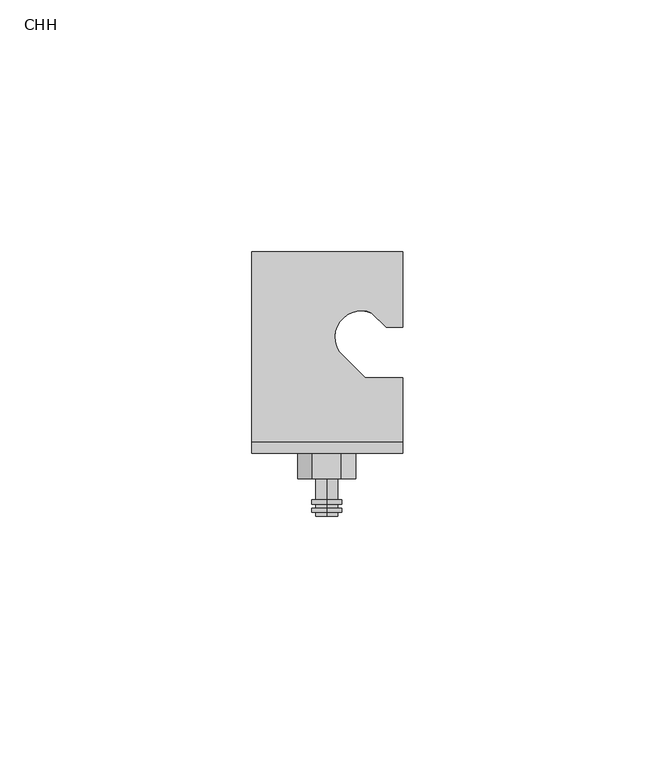
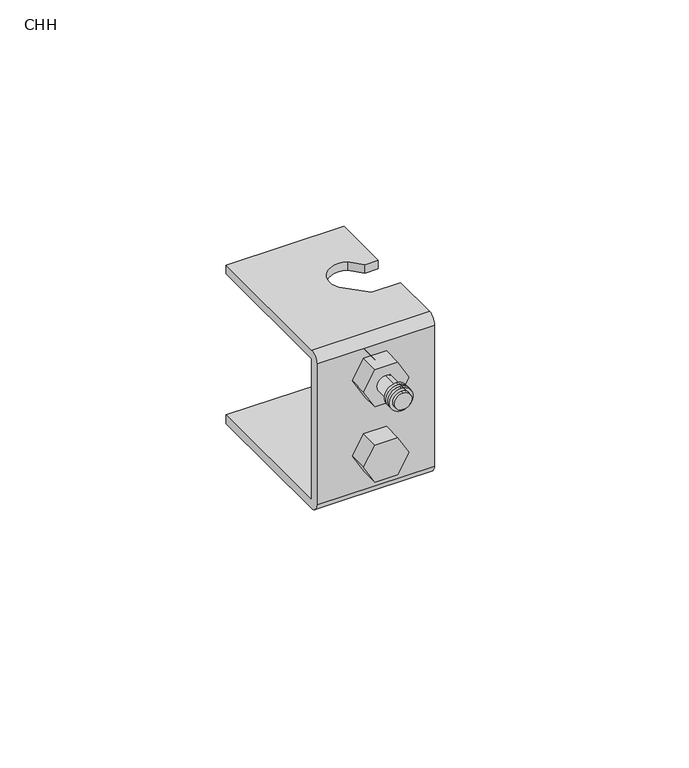
"""IFC4 building model written with IfcOpenShell, lengths in millimetres: proxy geometry, CHH."""

from ifc_helpers import new_model, si_unit, point, frame, frame_2d, origin, place, context, project, spatial, polyline, circle_curve, trimmed, segment, composite_curve, outline, extrude, source, transform, mapped, element, save
from ifc_brep_helpers import plane_surface, cylinder_surface, revolved_surface, advanced_brep


def chh_b03b04bf(model_context):
    return source(origin(), model_context, "Body", "SolidModel", [
        extrude(outline(composite_curve([segment(trimmed(circle_curve(frame_2d((30.3, -6.6758119)), 3.0), [point((33.3, -6.6758119))], [point((27.3, -6.6758119))], False, "CARTESIAN"), True, "CONTINUOUS"), segment(trimmed(circle_curve(frame_2d((30.3, -6.6758119)), 3.0), [point((27.3, -6.6758119))], [point((33.3, -6.6758119))], False, "CARTESIAN"), True, "CONTINUOUS")], self_intersect=False), holes=[composite_curve([segment(trimmed(circle_curve(frame_2d((30.3, -6.6758119)), 2.2), [point((32.5, -6.6758119))], [point((28.1, -6.6758119))], True, "CARTESIAN"), True, "CONTINUOUS"), segment(trimmed(circle_curve(frame_2d((30.3, -6.6758119)), 2.2), [point((28.1, -6.6758119))], [point((32.5, -6.6758119))], True, "CARTESIAN"), True, "CONTINUOUS")], self_intersect=False)]), frame((0.0, -33.3, 0.0), z_axis=(0.0, 1.0, 0.0), x_axis=(0.0, 0.0, 1.0)), (0.0, 0.0, 1.0), 0.8),
        extrude(outline(composite_curve([segment(trimmed(circle_curve(frame_2d((30.3, -6.6758119)), 3.0), [point((33.3, -6.6758119))], [point((27.3, -6.6758119))], False, "CARTESIAN"), True, "CONTINUOUS"), segment(trimmed(circle_curve(frame_2d((30.3, -6.6758119)), 3.0), [point((27.3, -6.6758119))], [point((33.3, -6.6758119))], False, "CARTESIAN"), True, "CONTINUOUS")], self_intersect=False), holes=[composite_curve([segment(trimmed(circle_curve(frame_2d((30.3, -6.6758119)), 2.2), [point((32.5, -6.6758119))], [point((28.1, -6.6758119))], True, "CARTESIAN"), True, "CONTINUOUS"), segment(trimmed(circle_curve(frame_2d((30.3, -6.6758119)), 2.2), [point((28.1, -6.6758119))], [point((32.5, -6.6758119))], True, "CARTESIAN"), True, "CONTINUOUS")], self_intersect=False)]), frame((0.0, -34.9, 0.0), z_axis=(0.0, 1.0, 0.0), x_axis=(0.0, 0.0, 1.0)), (0.0, 0.0, 1.0), 0.8),
        extrude(outline(composite_curve([segment(trimmed(circle_curve(frame_2d((30.3, -6.6758119)), 2.2), [point((32.5, -6.6758119))], [point((28.1, -6.6758119))], False, "CARTESIAN"), True, "CONTINUOUS"), segment(trimmed(circle_curve(frame_2d((30.3, -6.6758119)), 2.2), [point((28.1, -6.6758119))], [point((32.5, -6.6758119))], False, "CARTESIAN"), True, "CONTINUOUS")], self_intersect=False)), frame((0.0, -35.7, 0.0), z_axis=(0.0, 1.0, 0.0), x_axis=(0.0, 0.0, 1.0)), (0.0, 0.0, 1.0), 30.0),
        extrude(outline(polyline([(30.3, -12.4493146), (25.3, -9.5625632), (25.3, -3.7890605), (30.3, -0.9023092), (35.3, -3.7890605), (35.3, -9.5625632), (30.3, -12.4493146)])), frame((0.0, -28.25, 0.0), z_axis=(0.0, 1.0, 0.0), x_axis=(0.0, 0.0, 1.0)), (0.0, 0.0, 1.0), 5.0),
        extrude(outline(polyline([(10.0, -12.4493146), (5.0, -9.5625632), (5.0, -3.7890605), (10.0, -0.9023092), (15.0, -3.7890605), (15.0, -9.5625632), (10.0, -12.4493146)])), frame((0.0, -28.25, 0.0), z_axis=(0.0, 1.0, 0.0), x_axis=(0.0, 0.0, 1.0)), (0.0, 0.0, 1.0), 5.0),
        advanced_brep(
        [(5.1704717, 1.75, 40.3), (8.48611, 1.75, 40.3), (8.48611, 16.75, 40.3), (-21.51389, 16.75, 40.3), (-21.51389, -20.95, 40.3), (8.48611, -20.95, 40.3), (8.48611, -8.25, 40.3), (1.0283361, -8.25, 40.3), (-4.2415653, -2.9800986, 40.3), (2.3306214, 4.5898503, 40.3), (5.1704717, 1.75, 38.0), (2.3306214, 4.5898503, 38.0), (-4.2415653, -2.9800986, 38.0), (1.0283361, -8.25, 38.0), (8.48611, -8.25, 38.0), (8.48611, -20.95, 38.0), (-21.5, -20.95, 38.0), (-21.51389, 16.75, 38.0), (8.48611, 16.75, 38.0), (8.48611, 1.75, 38.0), (-21.51389, -20.95, 0.0), (-21.51389, 16.75, 0.0), (-21.51389, 16.75, -2.3), (-21.51389, -20.95, -2.3), (-21.51389, -23.25, 0.0), (-21.51389, -23.25, 38.0), (8.48611, -23.25, 38.0), (8.48611, -23.25, 0.0), (8.48611, -20.95, -2.3), (8.48611, -8.25, -2.3), (8.48611, -8.25, 0.0), (8.48611, -20.95, 0.0), (5.1704717, 1.75, 0.0), (8.48611, 1.75, 0.0), (8.48611, 16.75, 0.0), (1.0283361, -8.25, 0.0), (-4.2415653, -2.9800986, 0.0), (2.3306214, 4.5898503, 0.0), (5.1704717, 1.75, -2.3), (2.3306214, 4.5898503, -2.3), (-4.2415653, -2.9800986, -2.3), (1.0283361, -8.25, -2.3), (8.48611, 16.75, -2.3), (8.48611, 1.75, -2.3)],
        [
            (0, 1),
            (1, 2),
            (2, 3),
            (3, 4),
            (4, 5),
            (5, 6),
            (6, 7),
            (7, 8),
            (8, 9, circle_curve(frame((0.1778417, -0.1790606, 40.3), z_axis=(0.0, 0.0, -1.0), x_axis=(1.0, 0.0, 0.0)), 5.2323008)),
            (9, 0),
            (10, 11),
            (11, 12, circle_curve(frame((0.1778417, -0.1790606, 38.0), z_axis=(0.0, 0.0, 1.0), x_axis=(1.0, 0.0, 0.0)), 5.2323008)),
            (12, 13),
            (13, 14),
            (14, 15),
            (15, 16),
            (16, 17),
            (17, 18),
            (18, 19),
            (19, 10),
            (0, 10),
            (19, 1),
            (18, 2),
            (17, 3),
            (16, 20),
            (20, 21),
            (21, 22),
            (22, 23),
            (23, 24, circle_curve(frame((-21.51389, -20.95, 0.0), z_axis=(-1.0, 0.0, 0.0), x_axis=(0.0, 1.0, 0.0)), 2.3)),
            (24, 25),
            (25, 4, circle_curve(frame((-21.51389, -20.95, 38.0), z_axis=(-1.0, 0.0, 0.0), x_axis=(0.0, 1.0, 0.0)), 2.3)),
            (5, 26, circle_curve(frame((8.48611, -20.95, 38.0), z_axis=(1.0, 0.0, 0.0), x_axis=(0.0, 1.0, 0.0)), 2.3)),
            (26, 27),
            (27, 28, circle_curve(frame((8.48611, -20.95, 0.0), z_axis=(1.0, 0.0, 0.0), x_axis=(0.0, 1.0, 0.0)), 2.3)),
            (28, 29),
            (29, 30),
            (30, 31),
            (31, 15),
            (14, 6),
            (13, 7),
            (12, 8),
            (11, 9),
            (31, 20),
            (25, 26),
            (24, 27),
            (23, 28),
            (32, 33),
            (33, 34),
            (34, 21),
            (30, 35),
            (35, 36),
            (36, 37, circle_curve(frame((0.1778417, -0.1790606, 0.0), z_axis=(0.0, 0.0, -1.0), x_axis=(1.0, 0.0, 0.0)), 5.2323008)),
            (37, 32),
            (38, 39),
            (39, 40, circle_curve(frame((0.1778417, -0.1790606, -2.3), z_axis=(0.0, 0.0, 1.0), x_axis=(1.0, 0.0, 0.0)), 5.2323008)),
            (40, 41),
            (41, 29),
            (22, 42),
            (42, 43),
            (43, 38),
            (32, 38),
            (43, 33),
            (42, 34),
            (41, 35),
            (40, 36),
            (39, 37),
        ],
        [
            plane_surface(frame((5.1704717, 1.75, 40.3), z_axis=(0.0, 0.0, 1.0), x_axis=(1.0, 0.0, 0.0))),
            plane_surface(frame((5.1704717, 1.75, 38.0), z_axis=(0.0, 0.0, -1.0), x_axis=(-1.0, 0.0, 0.0))),
            plane_surface(frame((5.1704717, 1.75, 40.3), z_axis=(0.0, -1.0, 0.0), x_axis=(0.0, 0.0, -1.0))),
            plane_surface(frame((8.48611, 1.75, 40.3), z_axis=(1.0, 0.0, 0.0), x_axis=(0.0, 0.0, -1.0))),
            plane_surface(frame((8.48611, 16.75, 40.3), z_axis=(0.0, 1.0, 0.0), x_axis=(0.0, 0.0, -1.0))),
            plane_surface(frame((-21.51389, 16.75, 40.3), z_axis=(-1.0, 0.0, 0.0), x_axis=(0.0, 0.0, -1.0))),
            plane_surface(frame((8.48611, -20.95, 40.3), z_axis=(1.0, 0.0, 0.0), x_axis=(0.0, 0.0, -1.0))),
            plane_surface(frame((8.48611, -8.25, 40.3), z_axis=(0.0, 1.0, 0.0), x_axis=(0.0, 0.0, -1.0))),
            plane_surface(frame((1.0283361, -8.25, 40.3), z_axis=(0.7071067811865489, 0.7071067811865461, 0.0), x_axis=(0.0, 0.0, -1.0))),
            revolved_surface(polyline([(5.4101425, -0.1790606, 38.0), (5.4101425, -0.1790606, 40.3)]), (0.1778417, -0.1790606, 38.0), (0.0, 0.0, -1.0)),
            plane_surface(frame((2.3306214, 4.5898503, 40.3), z_axis=(-0.7071067811865471, -0.707106781186548, 0.0), x_axis=(0.0, 0.0, -1.0))),
            plane_surface(frame((8.5, -20.95, -2.3), z_axis=(0.0, 1.0, 0.0), x_axis=(-1.0, 0.0, 0.0))),
            cylinder_surface(frame((-21.5, -20.95, 38.0), z_axis=(1.0, 0.0, 0.0), x_axis=(0.0, 1.0, 0.0)), 2.3),
            plane_surface(frame((8.5, -23.25, 38.0), z_axis=(0.0, -1.0, 0.0), x_axis=(-1.0, 0.0, 0.0))),
            cylinder_surface(frame((-21.5, -20.95, 0.0), z_axis=(1.0, 0.0, 0.0), x_axis=(0.0, 1.0, 0.0)), 2.3),
            plane_surface(frame((5.1704717, 1.75, 0.0), z_axis=(0.0, 0.0, 1.0), x_axis=(1.0, 0.0, 0.0))),
            plane_surface(frame((5.1704717, 1.75, -2.3), z_axis=(0.0, 0.0, -1.0), x_axis=(-1.0, 0.0, 0.0))),
            plane_surface(frame((5.1704717, 1.75, 0.0), z_axis=(0.0, -1.0, 0.0), x_axis=(0.0, 0.0, -1.0))),
            plane_surface(frame((8.48611, 1.75, 0.0), z_axis=(1.0, 0.0, 0.0), x_axis=(0.0, 0.0, -1.0))),
            plane_surface(frame((8.48611, 16.75, 0.0), z_axis=(0.0, 1.0, 0.0), x_axis=(0.0, 0.0, -1.0))),
            plane_surface(frame((8.48611, -8.25, 0.0), z_axis=(0.0, 1.0, 0.0), x_axis=(0.0, 0.0, -1.0))),
            plane_surface(frame((1.0283361, -8.25, 0.0), z_axis=(0.7071067811865489, 0.7071067811865461, 0.0), x_axis=(0.0, 0.0, -1.0))),
            revolved_surface(polyline([(5.4101425, -0.1790606, -2.3), (5.4101425, -0.1790606, 0.0)]), (0.1778417, -0.1790606, -2.3), (0.0, 0.0, -1.0)),
            plane_surface(frame((2.3306214, 4.5898503, 0.0), z_axis=(-0.7071067811865466, -0.7071067811865485, 0.0), x_axis=(0.0, 0.0, -1.0))),
        ],
        [
            (0, [[1, 2, 3, 4, 5, 6, 7, 8, 9, 10]]),
            (1, [[11, 12, 13, 14, 15, 16, 17, 18, 19, 20]]),
            (2, [[-1, 21, -20, 22]]),
            (3, [[-2, -22, -19, 23]]),
            (4, [[-3, -23, -18, 24]]),
            (5, [[-4, -24, -17, 25, 26, 27, 28, 29, 30, 31]]),
            (6, [[-6, 32, 33, 34, 35, 36, 37, 38, -15, 39]]),
            (7, [[-7, -39, -14, 40]]),
            (8, [[-8, -40, -13, 41]]),
            (9, [[-9, -41, -12, 42]]),
            (10, [[-10, -42, -11, -21]]),
            (11, [[-16, -38, 43, -25]]),
            (12, [[-32, -5, -31, 44]]),
            (13, [[-33, -44, -30, 45]]),
            (14, [[-34, -45, -29, 46]]),
            (15, [[47, 48, 49, -26, -43, -37, 50, 51, 52, 53]]),
            (16, [[54, 55, 56, 57, -35, -46, -28, 58, 59, 60]]),
            (17, [[-47, 61, -60, 62]]),
            (18, [[-48, -62, -59, 63]]),
            (19, [[-49, -63, -58, -27]]),
            (20, [[-50, -36, -57, 64]]),
            (21, [[-51, -64, -56, 65]]),
            (22, [[-52, -65, -55, 66]]),
            (23, [[-53, -66, -54, -61]]),
        ],
    ),
    ])


if __name__ == "__main__":
    model = new_model("IFC4")
    model_context = context("Model", 3, world=origin())
    ifc_project = project(units=[si_unit("LENGTHUNIT", "METRE", prefix="MILLI")], contexts=[model_context])
    site = spatial("IfcSite", under=ifc_project)
    building = spatial("IfcBuilding", under=site)
    placement = place(None, origin())
    chh_shape = chh_b03b04bf(model_context)
    element("IfcBuildingElementProxy", 1, Name="CHH", ObjectType="CHH", at=placement, inside=building, context=model_context, shape_type="MappedRepresentation", body=[
        mapped(chh_shape, transform((0.0, 0.0, 0.0), x_axis=(1.0, 0.0, 0.0), y_axis=(0.0, 1.0, 0.0), z_axis=(0.0, 0.0, 1.0))),
    ])
    save(model, "model.ifc")
